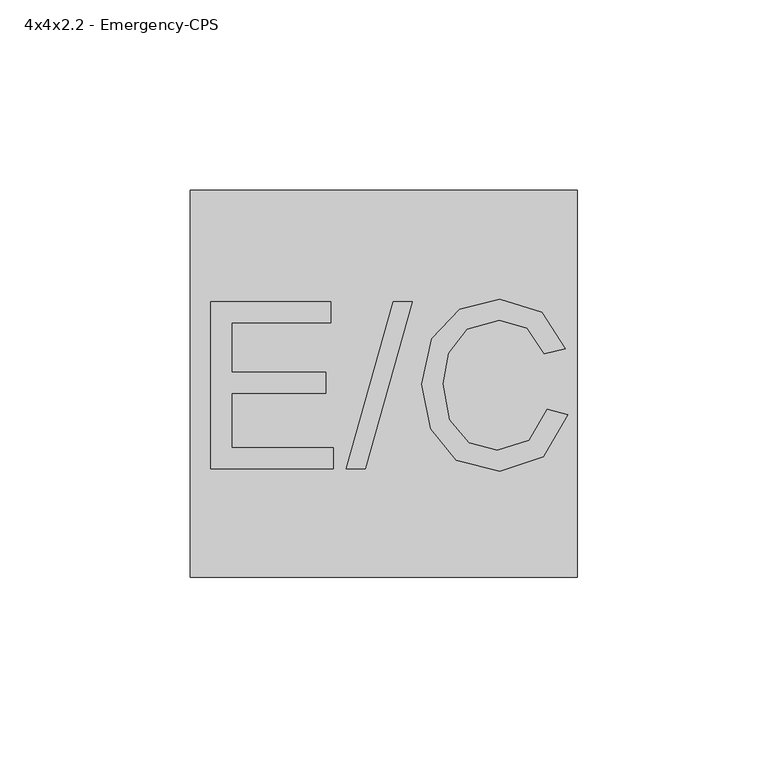
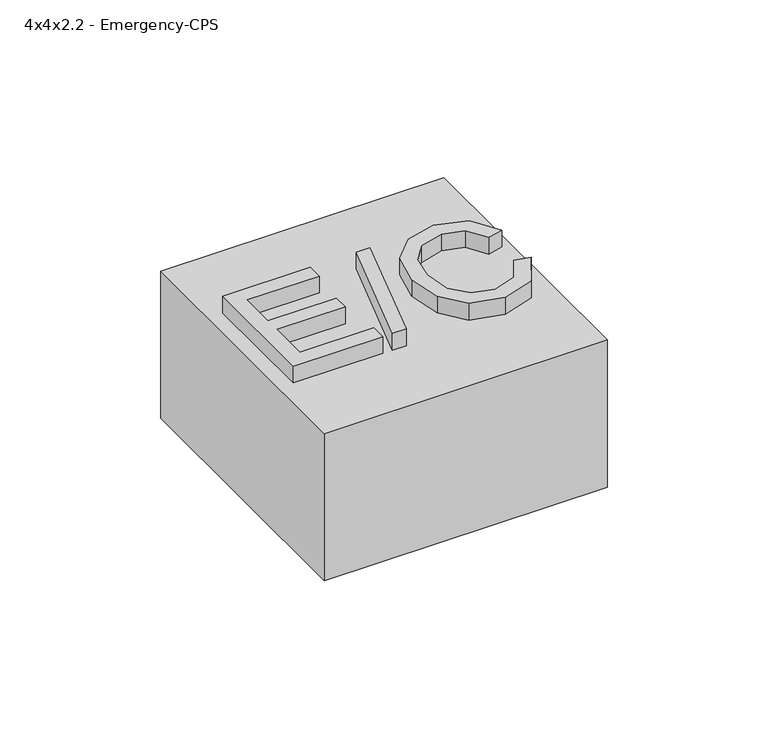
"""IFC4 building model written with IfcOpenShell, lengths in millimetres: proxy geometry, 4x4x2.2 - Emergency-CPS."""

from ifc_helpers import new_model, si_unit, frame, origin, origin_with_axes, place, context, project, spatial, polyline, outline, extrude, source, transform, mapped, element, save


def proxy_4x4x2_2_emergency_cps_aabf5358(model_context):
    return source(origin(), model_context, "Body", "SweptSolid", [
        extrude(outline(polyline([(-45.4147115, -22.225), (-45.4147115, 21.5411538), (-13.9577885, 21.5411538), (-13.9577885, 16.0703846), (-39.9439423, 16.0703846), (-39.9439423, 3.0773077), (-15.3254808, 3.0773077), (-15.3254808, -2.3934615), (-39.9439423, -2.3934615), (-39.9439423, -16.7542308), (-13.2739423, -16.7542308), (-13.2739423, -22.225), (-45.4147115, -22.225)])), frame((0.0, 0.0, 55.88), z_axis=(0.0, 0.0, 1.0), x_axis=(1.0, 0.0, 0.0)), (0.0, 0.0, 1.0), 6.35),
        extrude(outline(polyline([(-9.8547115, -22.225), (2.4545192, 21.5411538), (7.3910337, 21.5411538), (-4.9181971, -22.225), (-9.8547115, -22.225)])), frame((0.0, 0.0, 55.88), z_axis=(0.0, 0.0, 1.0), x_axis=(1.0, 0.0, 0.0)), (0.0, 0.0, 1.0), 6.35),
        extrude(outline(polyline([(42.8014423, -6.6675), (48.2722115, -8.0779327), (41.7863582, -19.1102945), (30.3319351, -22.9088462), (18.9469651, -20.0345553), (12.26878, -11.7108654), (9.9768269, -0.0106851), (12.5679627, 11.8818269), (19.9353365, 19.5911238), (30.4494712, 22.225), (41.4070373, 18.8164543), (47.5883654, 9.221238), (42.1175962, 7.9176562), (37.6298558, 14.6439243), (30.2357692, 16.7542308), (21.6770072, 14.4141947), (16.8420012, 8.1313582), (15.4475962, 0.0), (17.0984435, -9.4242548), (22.2379748, -15.4453065), (29.7869952, -17.4380769), (38.158768, -14.7240625), (42.8014423, -6.6675)])), frame((0.0, 0.0, 55.88), z_axis=(0.0, 0.0, 1.0), x_axis=(1.0, 0.0, 0.0)), (0.0, 0.0, 1.0), 6.35),
        extrude(outline(polyline([(50.8, 50.8), (50.8, -50.8), (-50.8, -50.8), (-50.8, 50.8), (50.8, 50.8)])), origin_with_axes(), (0.0, 0.0, 1.0), 55.88),
    ])


if __name__ == "__main__":
    model = new_model("IFC4")
    model_context = context("Model", 3, world=origin())
    ifc_project = project(units=[si_unit("LENGTHUNIT", "METRE", prefix="MILLI")], contexts=[model_context])
    site = spatial("IfcSite", under=ifc_project)
    building = spatial("IfcBuilding", under=site)
    placement = place(None, origin())
    proxy_4x4x2_2_emergency_cps_shape = proxy_4x4x2_2_emergency_cps_aabf5358(model_context)
    element("IfcBuildingElementProxy", 1, Name="4x4x2.2 - Emergency-CPS", ObjectType="4x4x2.2 - Emergency-CPS", at=placement, inside=building, context=model_context, shape_type="MappedRepresentation", body=[
        mapped(proxy_4x4x2_2_emergency_cps_shape, transform((0.0, 0.0, 0.0), x_axis=(1.0, 0.0, 0.0), y_axis=(0.0, 1.0, 0.0), z_axis=(0.0, 0.0, 1.0))),
    ])
    save(model, "model.ifc")
